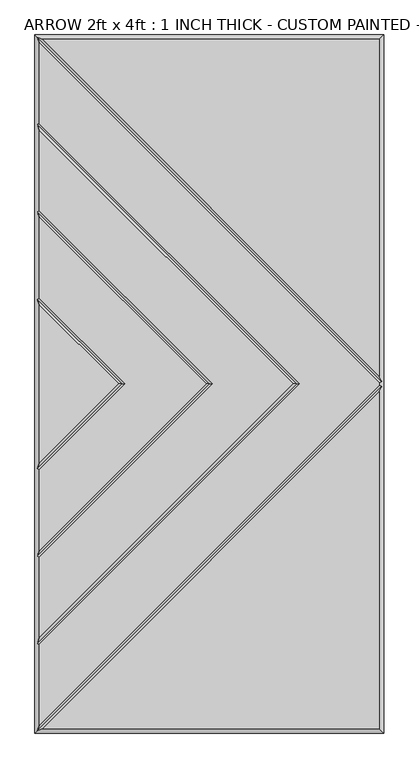
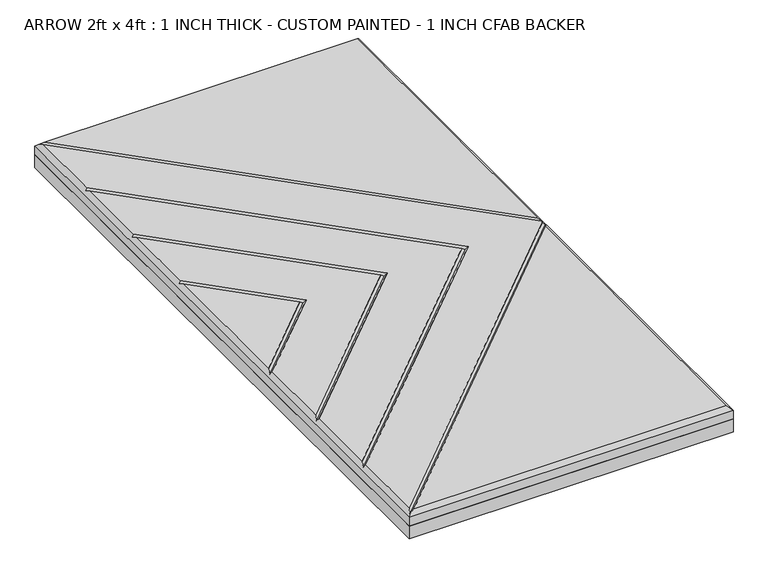
"""IFC4 building model written with IfcOpenShell, lengths in millimetres: proxy geometry, ARROW 2ft x 4ft : 1 INCH THICK - CUSTOM PAINTED - 1 INCH CFAB BACKER."""

from ifc_helpers import new_model, si_unit, frame, origin, place, context, project, spatial, polyline, outline, extrude, faceted_brep, source, transform, mapped, element, save


def arrow_2ft_x_4ft_1_inch_thick_custom_painted_1_inch_cfab_d53deb15(model_context):
    return source(origin(), model_context, "Body", "SolidModel", [
        extrude(outline(polyline([(-304.8, 609.6), (304.8, 609.6), (304.8, -609.6), (-304.8, -609.6), (-304.8, 609.6)])), frame((0.0, 0.0, -25.4), z_axis=(0.0, 0.0, 1.0), x_axis=(1.0, 0.0, 0.0)), (0.0, 0.0, 1.0), 25.4),
        faceted_brep([(296.799, -2.3434386, 25.4), (296.799, 2.3434386, 25.4), (-296.799, 595.9414386, 25.4), (-296.799, 454.8565868, 25.4), (158.0575614, 2.54e-05, 25.4), (-296.799, -454.856536, 25.4), (-296.799, -595.9414386, 25.4), (296.799, 601.599, 25.4), (-291.1414386, 601.599, 25.4), (296.799, 13.6585614, 25.4), (-291.1414386, -601.599, 25.4), (296.799, -601.599, 25.4), (296.799, -13.6585614, 25.4), (146.7424386, 2.54e-05, 25.4), (-296.799, 443.541464, 25.4), (-296.799, 302.4565868, 25.4), (5.6575614, 2.54e-05, 25.4), (-296.799, -302.456536, 25.4), (-296.799, -443.5414132, 25.4), (-5.6575614, 2.54e-05, 25.4), (-296.799, 291.141464, 25.4), (-296.799, 150.0565868, 25.4), (-146.7424386, 2.54e-05, 25.4), (-296.799, -150.056536, 25.4), (-296.799, -291.1414132, 25.4), (-296.799, 138.741464, 25.4), (-296.799, -138.7414132, 25.4), (-158.0575614, 2.54e-05, 25.4), (-304.8, 609.6, 0.0), (304.8, 609.6, 0.0), (304.8, -609.6, 0.0), (-304.8, -609.6, 0.0), (-304.8, -609.6, 17.399), (-304.8, 609.6, 17.399), (304.8, -609.6, 17.399), (304.8, 609.6, 17.399), (-300.7995, 605.5995, 21.3995), (-300.7995, -605.5995, 21.3995), (-300.7995, -453.1994746, 21.3995), (-300.7995, -300.7994746, 21.3995), (-300.7995, -148.3994746, 21.3995), (-300.7995, 148.3995254, 21.3995), (-300.7995, 300.7995254, 21.3995), (-300.7995, 453.1995254, 21.3995), (300.7995, 4.0005, 21.3995), (300.7995, -4.0005, 21.3995), (152.4, 2.54e-05, 21.3995), (0.0, 2.54e-05, 21.3995), (-152.4, 2.54e-05, 21.3995)], [[[0, 1, 2, 3, 4, 5, 6]], [[7, 8, 9]], [[10, 11, 12]], [[13, 14, 15, 16, 17, 18]], [[19, 20, 21, 22, 23, 24]], [[25, 26, 27]], [[28, 29, 30, 31]], [[28, 31, 32, 33]], [[31, 30, 34, 32]], [[30, 29, 35, 34]], [[29, 28, 33, 35]], [[7, 35, 33, 36, 8]], [[33, 32, 37, 6, 5, 38, 18, 17, 39, 24, 23, 40, 26, 25, 41, 21, 20, 42, 15, 14, 43, 3, 2, 36]], [[34, 11, 10, 37, 32]], [[35, 7, 9, 44, 1, 0, 45, 12, 11, 34]], [[36, 44, 9, 8]], [[44, 36, 2, 1]], [[45, 37, 10, 12]], [[37, 45, 0, 6]], [[46, 4, 3, 43]], [[13, 46, 43, 14]], [[4, 46, 38, 5]], [[46, 13, 18, 38]], [[47, 16, 15, 42]], [[19, 47, 42, 20]], [[16, 47, 39, 17]], [[47, 19, 24, 39]], [[48, 22, 21, 41]], [[27, 48, 41, 25]], [[22, 48, 40, 23]], [[48, 27, 26, 40]]]),
    ])


if __name__ == "__main__":
    model = new_model("IFC4")
    model_context = context("Model", 3, world=origin())
    ifc_project = project(units=[si_unit("LENGTHUNIT", "METRE", prefix="MILLI")], contexts=[model_context])
    site = spatial("IfcSite", under=ifc_project)
    building = spatial("IfcBuilding", under=site)
    placement = place(None, origin())
    arrow_2ft_x_4ft_1_inch_thick_custom_painted_1_inch_cfab_shape = arrow_2ft_x_4ft_1_inch_thick_custom_painted_1_inch_cfab_d53deb15(model_context)
    element("IfcBuildingElementProxy", 1, Name="ARROW 2ft x 4ft : 1 INCH THICK - CUSTOM PAINTED - 1 INCH CFAB BACKER", ObjectType="ARROW 2ft x 4ft : 1 INCH THICK - CUSTOM PAINTED - 1 INCH CFAB BACKER", at=placement, inside=building, context=model_context, shape_type="MappedRepresentation", body=[
        mapped(arrow_2ft_x_4ft_1_inch_thick_custom_painted_1_inch_cfab_shape, transform((0.0, 0.0, 0.0), x_axis=(1.0, 0.0, 0.0), y_axis=(0.0, 1.0, 0.0), z_axis=(0.0, 0.0, 1.0))),
    ])
    save(model, "model.ifc")
